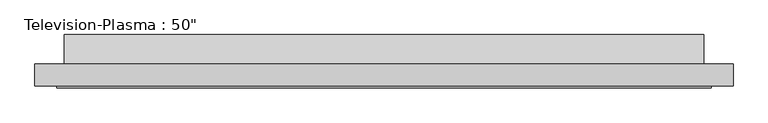
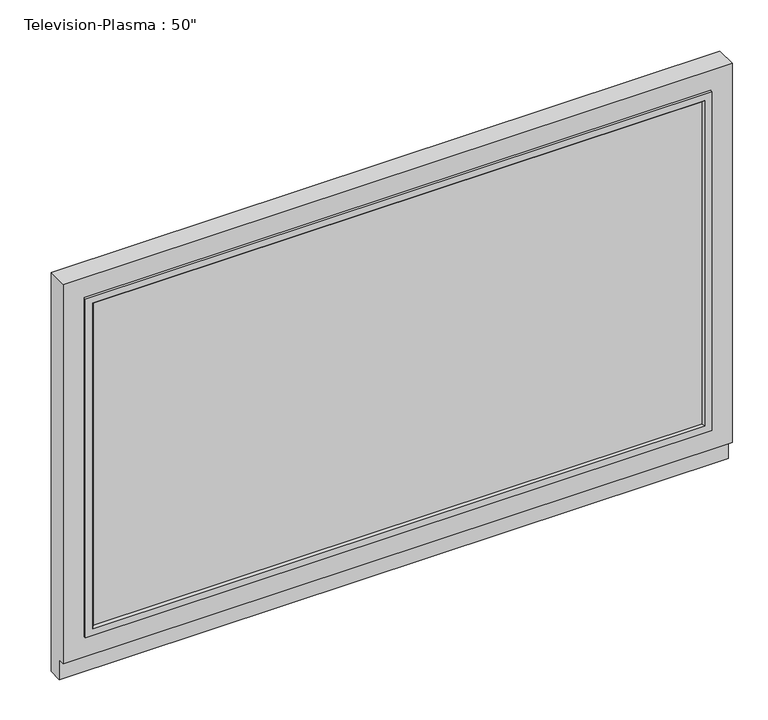
"""IFC4 building model written with IfcOpenShell, lengths in millimetres: furniture geometry."""

from ifc_helpers import new_model, si_unit, frame, origin, place, context, project, spatial, polyline, outline, extrude, faceted_brep, source, transform, mapped, element, save


def furniture_81c624e2(model_context):
    return source(origin(), model_context, "Body", "SolidModel", [
        faceted_brep([(660.4, -50.8, 762.0), (-546.1, -50.8, 762.0), (-546.1, -88.9, 762.0), (660.4, -88.9, 762.0), (-546.1, -50.8, 0.0), (660.4, -50.8, 0.0), (660.4, -76.2, 0.0), (-546.1, -76.2, 0.0), (-546.1, -76.2, 38.1), (-546.1, -88.9, 38.1), (660.4, -88.9, 38.1), (622.3, -88.9, 723.9), (622.3, -88.9, 76.2), (-508.0, -88.9, 76.2), (-508.0, -88.9, 723.9), (660.4, -76.2, 38.1), (622.3, -74.1720413, 723.9), (-508.0, -74.1720413, 723.9), (-508.0, -74.1720413, 76.2), (622.3, -74.1720413, 76.2)], [[[0, 1, 2, 3]], [[4, 5, 6, 7]], [[1, 0, 5, 4]], [[2, 1, 4, 7, 8, 9]], [[3, 2, 9, 10], [11, 12, 13, 14]], [[0, 3, 10, 15, 6, 5]], [[16, 17, 18, 19]], [[16, 19, 12, 11]], [[19, 18, 13, 12]], [[18, 17, 14, 13]], [[17, 16, 11, 14]], [[15, 8, 7, 6]], [[8, 15, 10, 9]]]),
        faceted_brep([(606.425, -88.9, 92.075), (609.6, -92.075, 88.9), (609.6, -92.075, 710.40625), (606.425, -88.9, 707.23125), (609.6, -74.1720413, 88.9), (609.6, -88.9, 88.9), (609.6, -88.9, 710.40625), (609.6, -74.1720413, 710.40625), (622.3, -92.075, 76.2), (622.3, -74.1720413, 76.2), (622.3, -74.1720413, 723.10625), (622.3, -92.075, 723.10625), (-495.3, -92.075, 710.40625), (-492.125, -88.9, 707.23125), (-495.3, -88.9, 710.40625), (-495.3, -74.1720413, 710.40625), (-508.0, -74.1720413, 723.10625), (-508.0, -92.075, 723.10625), (-495.3, -92.075, 88.9), (-492.125, -88.9, 92.075), (-495.3, -88.9, 88.9), (-495.3, -74.1720413, 88.9), (-508.0, -74.1720413, 76.2), (-508.0, -92.075, 76.2)], [[[0, 1, 2, 3]], [[4, 5, 6, 7]], [[8, 9, 10, 11]], [[3, 2, 12, 13]], [[7, 6, 14, 15]], [[11, 10, 16, 17]], [[13, 12, 18, 19]], [[15, 14, 20, 21]], [[17, 16, 22, 23]], [[11, 17, 23, 8], [1, 18, 12, 2]], [[19, 18, 1, 0]], [[5, 20, 14, 6], [3, 13, 19, 0]], [[21, 20, 5, 4]], [[9, 22, 16, 10], [7, 15, 21, 4]], [[23, 22, 9, 8]]]),
        extrude(outline(polyline([(609.6, -88.9), (-495.3, -88.9), (-495.3, -74.1720413), (609.6, -74.1720413), (609.6, -88.9)])), frame((0.0, 0.0, 88.9), z_axis=(0.0, 0.0, 1.0), x_axis=(1.0, 0.0, 0.0)), (0.0, 0.0, 1.0), 622.3),
        extrude(outline(polyline([(0.0, 676.4688953), (0.0, 38.1), (-50.8, 38.1), (-50.8, 711.2), (0.0, 676.4688953)])), frame((-495.3, 0.0, 0.0), z_axis=(1.0, 0.0, 0.0), x_axis=(0.0, 1.0, 0.0)), (0.0, 0.0, 1.0), 1104.9),
    ])


if __name__ == "__main__":
    model = new_model("IFC4")
    model_context = context("Model", 3, world=origin())
    ifc_project = project(units=[si_unit("LENGTHUNIT", "METRE", prefix="MILLI")], contexts=[model_context])
    site = spatial("IfcSite", under=ifc_project)
    building = spatial("IfcBuilding", under=site)
    placement = place(None, origin())
    furniture_shape = furniture_81c624e2(model_context)
    element("IfcFurniture", 1, ObjectType="Television-Plasma : 50\"", at=placement, inside=building, context=model_context, shape_type="MappedRepresentation", body=[
        mapped(furniture_shape, transform((0.0, 0.0, 0.0), x_axis=(1.0, 0.0, 0.0), y_axis=(0.0, 1.0, 0.0), z_axis=(0.0, 0.0, 1.0))),
    ])
    save(model, "model.ifc")
